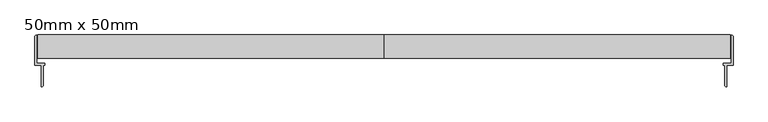
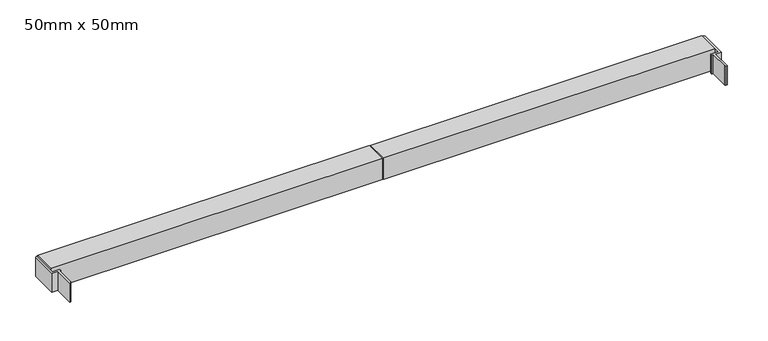
"""IFC4 building model written with IfcOpenShell, lengths in millimetres: plate geometry, 50mm x 50mm."""

from ifc_helpers import new_model, si_unit, frame, origin, place, context, project, spatial, polyline, outline, extrude, source, transform, mapped, element, save


def plate_50mm_x_50mm_c95ebb26(model_context):
    return source(origin(), model_context, "Body", "SweptSolid", [
        extrude(outline(polyline([(-746.0000001, 168.7422404), (-744.0000001, 170.7422404), (-742.0000001, 170.7422404), (-742.0000001, 110.7422404), (-725.5000001, 110.7422404), (-725.5000001, 106.7422404), (-728.5000001, 106.7422404), (-728.5000001, 62.7422404), (-730.5000001, 60.7422404), (-732.5000001, 60.7422404), (-732.5000001, 106.7422404), (-746.0000001, 106.7422404), (-746.0000001, 168.7422404)])), frame((0.0, 0.0, 20.0338898), z_axis=(0.0, 0.0, 1.0), x_axis=(1.0, 0.0, 0.0)), (0.0, 0.0, 1.0), 45.0),
        extrude(outline(polyline([(746.0000001, 168.7422404), (746.0000001, 106.7422404), (732.5000001, 106.7422404), (732.5000001, 60.7422404), (730.5000001, 60.7422404), (728.5000001, 62.7422404), (728.5000001, 106.7422404), (725.5000001, 106.7422404), (725.5000001, 110.7422404), (742.0000001, 110.7422404), (742.0000001, 170.7422404), (744.0000001, 170.7422404), (746.0000001, 168.7422404)])), frame((0.0, 0.0, 20.0338898), z_axis=(0.0, 0.0, 1.0), x_axis=(1.0, 0.0, 0.0)), (0.0, 0.0, 1.0), 45.0),
        extrude(outline(polyline([(171.7, 66.0316945), (171.7, 16.0316945), (121.7, 16.0316945), (121.7, 66.0316945), (171.7, 66.0316945)]), holes=[polyline([(131.7, 56.0316945), (131.7, 26.0316945), (161.7, 26.0316945), (161.7, 56.0316945), (131.7, 56.0316945)])]), frame((1.0000001, 0.0, 0.0), z_axis=(1.0, 0.0, 0.0), x_axis=(0.0, 1.0, 0.0)), (0.0, 0.0, 1.0), 738.9999998),
        extrude(outline(polyline([(171.7, 66.0316945), (171.7, 16.0316945), (121.7, 16.0316945), (121.7, 66.0316945), (171.7, 66.0316945)]), holes=[polyline([(131.7, 56.0316945), (131.7, 26.0316945), (161.7, 26.0316945), (161.7, 56.0316945), (131.7, 56.0316945)])]), frame((-739.9999999, 0.0, 0.0), z_axis=(1.0, 0.0, 0.0), x_axis=(0.0, 1.0, 0.0)), (0.0, 0.0, 1.0), 739.0),
    ])


if __name__ == "__main__":
    model = new_model("IFC4")
    model_context = context("Model", 3, world=origin())
    ifc_project = project(units=[si_unit("LENGTHUNIT", "METRE", prefix="MILLI")], contexts=[model_context])
    site = spatial("IfcSite", under=ifc_project)
    building = spatial("IfcBuilding", under=site)
    placement = place(None, origin())
    plate_50mm_x_50mm_shape = plate_50mm_x_50mm_c95ebb26(model_context)
    element("IfcPlate", 1, ObjectType="50mm x 50mm", at=placement, inside=building, context=model_context, shape_type="MappedRepresentation", body=[
        mapped(plate_50mm_x_50mm_shape, transform((0.0, 0.0, 0.0), x_axis=(1.0, 0.0, 0.0), y_axis=(0.0, 1.0, 0.0), z_axis=(0.0, 0.0, 1.0))),
    ])
    save(model, "model.ifc")
